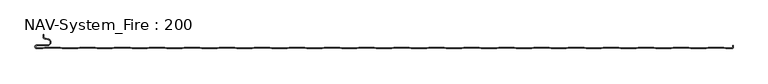
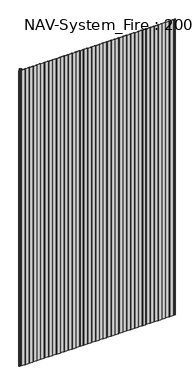
"""IFC4 building model written with IfcOpenShell, lengths in millimetres: plate geometry, NAV-System_Fire : 200."""

from ifc_helpers import new_model, si_unit, frame, origin, place, context, project, spatial, polyline, circle_curve, source, transform, mapped, element, save
from ifc_brep_helpers import plane_surface, cylinder_surface, revolved_surface, advanced_brep


def nav_system_fire_200_f384b66a(model_context):
    return source(origin(), model_context, "Body", "AdvancedBrep", [
        advanced_brep(
        [(-488.8798221, -200.8, 2000.0), (-497.2500001, -200.8, 2000.0), (-497.2500001, -197.4000001, 2000.0), (-481.8502086, -197.4000001, 2000.0), (-480.9923864, -187.5950498, 2000.0), (-485.8625665, -186.7363054, 2000.0), (-487.3500004, -184.9636506, 2000.0), (-487.3500014, -181.6578709, 2000.0), (-488.1500014, -181.6578709, 2000.0), (-488.1500014, -184.9636516, 2000.0), (-486.0014853, -187.5241512, 2000.0), (-481.1313015, -188.382896, 2000.0), (-481.850205, -196.6000001, 2000.0), (-497.2500001, -196.6000001, 2000.0), (-497.2500001, -201.6, 2000.0), (-488.75, -201.6, 2000.0), (-485.75, -200.6, 2000.0), (-463.75, -200.6, 2000.0), (-460.75, -201.6, 2000.0), (-438.75, -201.6, 2000.0), (-435.75, -200.6, 2000.0), (-413.75, -200.6, 2000.0), (-410.75, -201.6, 2000.0), (-388.75, -201.6, 2000.0), (-385.75, -200.6, 2000.0), (-363.75, -200.6, 2000.0), (-360.75, -201.6, 2000.0), (-338.75, -201.6, 2000.0), (-335.75, -200.6, 2000.0), (-313.75, -200.6, 2000.0), (-310.75, -201.6, 2000.0), (-288.75, -201.6, 2000.0), (-285.75, -200.6, 2000.0), (-263.75, -200.6, 2000.0), (-260.75, -201.6, 2000.0), (-238.75, -201.6, 2000.0), (-235.75, -200.6, 2000.0), (-213.75, -200.6, 2000.0), (-210.75, -201.6, 2000.0), (-188.75, -201.6, 2000.0), (-185.75, -200.6, 2000.0), (-163.75, -200.6, 2000.0), (-160.75, -201.6, 2000.0), (-138.75, -201.6, 2000.0), (-135.75, -200.6, 2000.0), (-113.75, -200.6, 2000.0), (-110.75, -201.6, 2000.0), (-88.75, -201.6, 2000.0), (-85.75, -200.6, 2000.0), (-63.75, -200.6, 2000.0), (-60.75, -201.6, 2000.0), (-38.75, -201.6, 2000.0), (-35.75, -200.6, 2000.0), (-13.75, -200.6, 2000.0), (-10.75, -201.6, 2000.0), (11.25, -201.6, 2000.0), (14.25, -200.6, 2000.0), (36.25, -200.6, 2000.0), (39.25, -201.6, 2000.0), (61.25, -201.6, 2000.0), (64.25, -200.6, 2000.0), (86.25, -200.6, 2000.0), (89.25, -201.6, 2000.0), (111.25, -201.6, 2000.0), (114.25, -200.6, 2000.0), (136.25, -200.6, 2000.0), (139.25, -201.6, 2000.0), (161.25, -201.6, 2000.0), (164.25, -200.6, 2000.0), (186.25, -200.6, 2000.0), (189.25, -201.6, 2000.0), (211.25, -201.6, 2000.0), (214.25, -200.6, 2000.0), (236.25, -200.6, 2000.0), (239.25, -201.6, 2000.0), (261.25, -201.6, 2000.0), (264.25, -200.6, 2000.0), (286.25, -200.6, 2000.0), (289.25, -201.6, 2000.0), (311.25, -201.6, 2000.0), (314.25, -200.6, 2000.0), (336.25, -200.6, 2000.0), (339.25, -201.6, 2000.0), (361.25, -201.6, 2000.0), (364.25, -200.6, 2000.0), (386.25, -200.6, 2000.0), (389.25, -201.6, 2000.0), (411.25, -201.6, 2000.0), (414.25, -200.6, 2000.0), (436.25, -200.6, 2000.0), (439.25, -201.6, 2000.0), (461.25, -201.6, 2000.0), (464.25, -200.6, 2000.0), (486.25, -200.6, 2000.0), (489.25, -201.6, 2000.0), (498.2500007, -201.6, 2000.0), (499.75, -200.9228766, 2000.0), (499.75, -196.9390429, 2000.0), (499.4499998, -198.1999953, 2000.0), (499.4499998, -199.5978602, 2000.0), (498.2500017, -200.7999998, 2000.0), (489.3798221, -200.8, 2000.0), (486.3798221, -199.8, 2000.0), (464.1201779, -199.8, 2000.0), (461.1201779, -200.8, 2000.0), (439.3798221, -200.8, 2000.0), (436.3798221, -199.8, 2000.0), (414.1201779, -199.8, 2000.0), (411.1201779, -200.8, 2000.0), (389.3798221, -200.8, 2000.0), (386.3798221, -199.8, 2000.0), (364.1201779, -199.8, 2000.0), (361.1201779, -200.8, 2000.0), (339.3798221, -200.8, 2000.0), (336.3798221, -199.8, 2000.0), (314.1201779, -199.8, 2000.0), (311.1201779, -200.8, 2000.0), (289.3798221, -200.8, 2000.0), (286.3798221, -199.8, 2000.0), (264.1201779, -199.8, 2000.0), (261.1201779, -200.8, 2000.0), (239.3798221, -200.8, 2000.0), (236.3798221, -199.8, 2000.0), (214.1201779, -199.8, 2000.0), (211.1201779, -200.8, 2000.0), (189.3798221, -200.8, 2000.0), (186.3798221, -199.8, 2000.0), (164.1201779, -199.8, 2000.0), (161.1201779, -200.8, 2000.0), (139.3798221, -200.8, 2000.0), (136.3798221, -199.8, 2000.0), (114.1201779, -199.8, 2000.0), (111.1201779, -200.8, 2000.0), (89.3798221, -200.8, 2000.0), (86.3798221, -199.8, 2000.0), (64.1201779, -199.8, 2000.0), (61.1201779, -200.8, 2000.0), (39.3798221, -200.8, 2000.0), (36.3798221, -199.8, 2000.0), (14.1201779, -199.8, 2000.0), (11.1201779, -200.8, 2000.0), (-10.6201779, -200.8, 2000.0), (-13.6201779, -199.8, 2000.0), (-35.8798221, -199.8, 2000.0), (-38.8798221, -200.8, 2000.0), (-60.6201779, -200.8, 2000.0), (-63.6201779, -199.8, 2000.0), (-85.8798221, -199.8, 2000.0), (-88.8798221, -200.8, 2000.0), (-110.6201779, -200.8, 2000.0), (-113.6201779, -199.8, 2000.0), (-135.8798221, -199.8, 2000.0), (-138.8798221, -200.8, 2000.0), (-160.6201779, -200.8, 2000.0), (-163.6201779, -199.8, 2000.0), (-185.8798221, -199.8, 2000.0), (-188.8798221, -200.8, 2000.0), (-210.6201779, -200.8, 2000.0), (-213.6201779, -199.8, 2000.0), (-235.8798221, -199.8, 2000.0), (-238.8798221, -200.8, 2000.0), (-260.6201779, -200.8, 2000.0), (-263.6201779, -199.8, 2000.0), (-285.8798221, -199.8, 2000.0), (-288.8798221, -200.8, 2000.0), (-310.6201779, -200.8, 2000.0), (-313.6201779, -199.8, 2000.0), (-335.8798221, -199.8, 2000.0), (-338.8798221, -200.8, 2000.0), (-360.6201779, -200.8, 2000.0), (-363.6201779, -199.8, 2000.0), (-385.8798221, -199.8, 2000.0), (-388.8798221, -200.8, 2000.0), (-410.6201779, -200.8, 2000.0), (-413.6201779, -199.8, 2000.0), (-435.8798221, -199.8, 2000.0), (-438.8798221, -200.8, 2000.0), (-460.6201779, -200.8, 2000.0), (-463.6201779, -199.8, 2000.0), (-485.8798221, -199.8, 2000.0), (-488.8798221, -200.8, 0.0), (-485.8798221, -199.8, 0.0), (-463.6201779, -199.8, 0.0), (-460.6201779, -200.8, 0.0), (-438.8798221, -200.8, 0.0), (-435.8798221, -199.8, 0.0), (-413.6201779, -199.8, 0.0), (-410.6201779, -200.8, 0.0), (-388.8798221, -200.8, 0.0), (-385.8798221, -199.8, 0.0), (-363.6201779, -199.8, 0.0), (-360.6201779, -200.8, 0.0), (-338.8798221, -200.8, 0.0), (-335.8798221, -199.8, 0.0), (-313.6201779, -199.8, 0.0), (-310.6201779, -200.8, 0.0), (-288.8798221, -200.8, 0.0), (-285.8798221, -199.8, 0.0), (-263.6201779, -199.8, 0.0), (-260.6201779, -200.8, 0.0), (-238.8798221, -200.8, 0.0), (-235.8798221, -199.8, 0.0), (-213.6201779, -199.8, 0.0), (-210.6201779, -200.8, 0.0), (-188.8798221, -200.8, 0.0), (-185.8798221, -199.8, 0.0), (-163.6201779, -199.8, 0.0), (-160.6201779, -200.8, 0.0), (-138.8798221, -200.8, 0.0), (-135.8798221, -199.8, 0.0), (-113.6201779, -199.8, 0.0), (-110.6201779, -200.8, 0.0), (-88.8798221, -200.8, 0.0), (-85.8798221, -199.8, 0.0), (-63.6201779, -199.8, 0.0), (-60.6201779, -200.8, 0.0), (-38.8798221, -200.8, 0.0), (-35.8798221, -199.8, 0.0), (-13.6201779, -199.8, 0.0), (-10.6201779, -200.8, 0.0), (11.1201779, -200.8, 0.0), (14.1201779, -199.8, 0.0), (36.3798221, -199.8, 0.0), (39.3798221, -200.8, 0.0), (61.1201779, -200.8, 0.0), (64.1201779, -199.8, 0.0), (86.3798221, -199.8, 0.0), (89.3798221, -200.8, 0.0), (111.1201779, -200.8, 0.0), (114.1201779, -199.8, 0.0), (136.3798221, -199.8, 0.0), (139.3798221, -200.8, 0.0), (161.1201779, -200.8, 0.0), (164.1201779, -199.8, 0.0), (186.3798221, -199.8, 0.0), (189.3798221, -200.8, 0.0), (211.1201779, -200.8, 0.0), (214.1201779, -199.8, 0.0), (236.3798221, -199.8, 0.0), (239.3798221, -200.8, 0.0), (261.1201779, -200.8, 0.0), (264.1201779, -199.8, 0.0), (286.3798221, -199.8, 0.0), (289.3798221, -200.8, 0.0), (311.1201779, -200.8, 0.0), (314.1201779, -199.8, 0.0), (336.3798221, -199.8, 0.0), (339.3798221, -200.8, 0.0), (361.1201779, -200.8, 0.0), (364.1201779, -199.8, 0.0), (386.3798221, -199.8, 0.0), (389.3798221, -200.8, 0.0), (411.1201779, -200.8, 0.0), (414.1201779, -199.8, 0.0), (436.3798221, -199.8, 0.0), (439.3798221, -200.8, 0.0), (461.1201779, -200.8, 0.0), (464.1201779, -199.8, 0.0), (486.3798221, -199.8, 0.0), (489.3798221, -200.8, 0.0), (498.2500017, -200.8, 0.0), (499.4499998, -199.5978602, 0.0), (499.4499998, -198.1999953, 0.0), (499.75, -196.9390429, 0.0), (499.75, -200.9228766, 0.0), (498.2500007, -201.6, 0.0), (489.25, -201.6, 0.0), (486.25, -200.6, 0.0), (464.25, -200.6, 0.0), (461.25, -201.6, 0.0), (439.25, -201.6, 0.0), (436.25, -200.6, 0.0), (414.25, -200.6, 0.0), (411.25, -201.6, 0.0), (389.25, -201.6, 0.0), (386.25, -200.6, 0.0), (364.25, -200.6, 0.0), (361.25, -201.6, 0.0), (339.25, -201.6, 0.0), (336.25, -200.6, 0.0), (314.25, -200.6, 0.0), (311.25, -201.6, 0.0), (289.25, -201.6, 0.0), (286.25, -200.6, 0.0), (264.25, -200.6, 0.0), (261.25, -201.6, 0.0), (239.25, -201.6, 0.0), (236.25, -200.6, 0.0), (214.25, -200.6, 0.0), (211.25, -201.6, 0.0), (189.25, -201.6, 0.0), (186.25, -200.6, 0.0), (164.25, -200.6, 0.0), (161.25, -201.6, 0.0), (139.25, -201.6, 0.0), (136.25, -200.6, 0.0), (114.25, -200.6, 0.0), (111.25, -201.6, 0.0), (89.25, -201.6, 0.0), (86.25, -200.6, 0.0), (64.25, -200.6, 0.0), (61.25, -201.6, 0.0), (39.25, -201.6, 0.0), (36.25, -200.6, 0.0), (14.25, -200.6, 0.0), (11.25, -201.6, 0.0), (-10.75, -201.6, 0.0), (-13.75, -200.6, 0.0), (-35.75, -200.6, 0.0), (-38.75, -201.6, 0.0), (-60.75, -201.6, 0.0), (-63.75, -200.6, 0.0), (-85.75, -200.6, 0.0), (-88.75, -201.6, 0.0), (-110.75, -201.6, 0.0), (-113.75, -200.6, 0.0), (-135.75, -200.6, 0.0), (-138.75, -201.6, 0.0), (-160.75, -201.6, 0.0), (-163.75, -200.6, 0.0), (-185.75, -200.6, 0.0), (-188.75, -201.6, 0.0), (-210.75, -201.6, 0.0), (-213.75, -200.6, 0.0), (-235.75, -200.6, 0.0), (-238.75, -201.6, 0.0), (-260.75, -201.6, 0.0), (-263.75, -200.6, 0.0), (-285.75, -200.6, 0.0), (-288.75, -201.6, 0.0), (-310.75, -201.6, 0.0), (-313.75, -200.6, 0.0), (-335.75, -200.6, 0.0), (-338.75, -201.6, 0.0), (-360.75, -201.6, 0.0), (-363.75, -200.6, 0.0), (-385.75, -200.6, 0.0), (-388.75, -201.6, 0.0), (-410.75, -201.6, 0.0), (-413.75, -200.6, 0.0), (-435.75, -200.6, 0.0), (-438.75, -201.6, 0.0), (-460.75, -201.6, 0.0), (-463.75, -200.6, 0.0), (-485.75, -200.6, 0.0), (-488.75, -201.6, 0.0), (-497.2500001, -201.6, 0.0), (-497.2500001, -196.6000001, 0.0), (-481.850205, -196.6000001, 0.0), (-481.1313015, -188.382896, 0.0), (-486.0014853, -187.5241512, 0.0), (-488.1499997, -184.9636516, 0.0), (-488.1500014, -181.6578709, 0.0), (-487.3500014, -181.6578709, 0.0), (-487.3500014, -184.9636506, 0.0), (-485.8625665, -186.7363054, 0.0), (-480.9923864, -187.5950498, 0.0), (-481.8502086, -197.4000001, 0.0), (-497.2500001, -197.4000001, 0.0), (-497.2500001, -200.7999998, 0.0)],
        [
            (0, 1),
            (1, 2, circle_curve(frame((-497.2500001, -199.1, 2000.0), z_axis=(0.0, 0.0, -1.0), x_axis=(1.0, 0.0, 0.0)), 1.6999999)),
            (2, 3),
            (3, 4, circle_curve(frame((-481.8502086, -192.4600001, 2000.0), z_axis=(0.0, 0.0, 1.0), x_axis=(1.0, 0.0, 0.0)), 4.94)),
            (4, 5),
            (5, 6, circle_curve(frame((-485.5499995, -184.9636506, 2000.0), z_axis=(0.0, 0.0, -1.0), x_axis=(1.0, 0.0, 0.0)), 1.8000009)),
            (6, 7),
            (7, 8),
            (8, 9),
            (9, 10, circle_curve(frame((-485.5500002, -184.9636516, 2000.0), z_axis=(0.0, 0.0, 1.0), x_axis=(1.0, 0.0, 0.0)), 2.5999995)),
            (10, 11),
            (11, 12, circle_curve(frame((-481.850205, -192.4600001, 2000.0), z_axis=(0.0, 0.0, -1.0), x_axis=(1.0, 0.0, 0.0)), 4.14)),
            (12, 13),
            (13, 14, circle_curve(frame((-497.2500001, -199.1000001, 2000.0), z_axis=(0.0, 0.0, 1.0), x_axis=(1.0, 0.0, 0.0)), 2.4999999)),
            (14, 15),
            (15, 16),
            (16, 17),
            (17, 18),
            (18, 19),
            (19, 20),
            (20, 21),
            (21, 22),
            (22, 23),
            (23, 24),
            (24, 25),
            (25, 26),
            (26, 27),
            (27, 28),
            (28, 29),
            (29, 30),
            (30, 31),
            (31, 32),
            (32, 33),
            (33, 34),
            (34, 35),
            (35, 36),
            (36, 37),
            (37, 38),
            (38, 39),
            (39, 40),
            (40, 41),
            (41, 42),
            (42, 43),
            (43, 44),
            (44, 45),
            (45, 46),
            (46, 47),
            (47, 48),
            (48, 49),
            (49, 50),
            (50, 51),
            (51, 52),
            (52, 53),
            (53, 54),
            (54, 55),
            (55, 56),
            (56, 57),
            (57, 58),
            (58, 59),
            (59, 60),
            (60, 61),
            (61, 62),
            (62, 63),
            (63, 64),
            (64, 65),
            (65, 66),
            (66, 67),
            (67, 68),
            (68, 69),
            (69, 70),
            (70, 71),
            (71, 72),
            (72, 73),
            (73, 74),
            (74, 75),
            (75, 76),
            (76, 77),
            (77, 78),
            (78, 79),
            (79, 80),
            (80, 81),
            (81, 82),
            (82, 83),
            (83, 84),
            (84, 85),
            (85, 86),
            (86, 87),
            (87, 88),
            (88, 89),
            (89, 90),
            (90, 91),
            (91, 92),
            (92, 93),
            (93, 94),
            (94, 95),
            (95, 96, circle_curve(frame((498.2500007, -199.5999998, 2000.0), z_axis=(0.0, 0.0, 1.0), x_axis=(1.0, 0.0, 0.0)), 2.0000002)),
            (96, 97),
            (97, 98, circle_curve(frame((502.2499995, -198.1999953, 2000.0), z_axis=(0.0, 0.0, 1.0), x_axis=(1.0, 0.0, 0.0)), 2.7999997)),
            (98, 99),
            (99, 100, circle_curve(frame((498.2500017, -199.5999998, 2000.0), z_axis=(0.0, 0.0, -1.0), x_axis=(1.0, 0.0, 0.0)), 1.2)),
            (100, 101),
            (101, 102),
            (102, 103),
            (103, 104),
            (104, 105),
            (105, 106),
            (106, 107),
            (107, 108),
            (108, 109),
            (109, 110),
            (110, 111),
            (111, 112),
            (112, 113),
            (113, 114),
            (114, 115),
            (115, 116),
            (116, 117),
            (117, 118),
            (118, 119),
            (119, 120),
            (120, 121),
            (121, 122),
            (122, 123),
            (123, 124),
            (124, 125),
            (125, 126),
            (126, 127),
            (127, 128),
            (128, 129),
            (129, 130),
            (130, 131),
            (131, 132),
            (132, 133),
            (133, 134),
            (134, 135),
            (135, 136),
            (136, 137),
            (137, 138),
            (138, 139),
            (139, 140),
            (140, 141),
            (141, 142),
            (142, 143),
            (143, 144),
            (144, 145),
            (145, 146),
            (146, 147),
            (147, 148),
            (148, 149),
            (149, 150),
            (150, 151),
            (151, 152),
            (152, 153),
            (153, 154),
            (154, 155),
            (155, 156),
            (156, 157),
            (157, 158),
            (158, 159),
            (159, 160),
            (160, 161),
            (161, 162),
            (162, 163),
            (163, 164),
            (164, 165),
            (165, 166),
            (166, 167),
            (167, 168),
            (168, 169),
            (169, 170),
            (170, 171),
            (171, 172),
            (172, 173),
            (173, 174),
            (174, 175),
            (175, 176),
            (176, 177),
            (177, 178),
            (178, 179),
            (179, 0),
            (180, 181),
            (181, 182),
            (182, 183),
            (183, 184),
            (184, 185),
            (185, 186),
            (186, 187),
            (187, 188),
            (188, 189),
            (189, 190),
            (190, 191),
            (191, 192),
            (192, 193),
            (193, 194),
            (194, 195),
            (195, 196),
            (196, 197),
            (197, 198),
            (198, 199),
            (199, 200),
            (200, 201),
            (201, 202),
            (202, 203),
            (203, 204),
            (204, 205),
            (205, 206),
            (206, 207),
            (207, 208),
            (208, 209),
            (209, 210),
            (210, 211),
            (211, 212),
            (212, 213),
            (213, 214),
            (214, 215),
            (215, 216),
            (216, 217),
            (217, 218),
            (218, 219),
            (219, 220),
            (220, 221),
            (221, 222),
            (222, 223),
            (223, 224),
            (224, 225),
            (225, 226),
            (226, 227),
            (227, 228),
            (228, 229),
            (229, 230),
            (230, 231),
            (231, 232),
            (232, 233),
            (233, 234),
            (234, 235),
            (235, 236),
            (236, 237),
            (237, 238),
            (238, 239),
            (239, 240),
            (240, 241),
            (241, 242),
            (242, 243),
            (243, 244),
            (244, 245),
            (245, 246),
            (246, 247),
            (247, 248),
            (248, 249),
            (249, 250),
            (250, 251),
            (251, 252),
            (252, 253),
            (253, 254),
            (254, 255),
            (255, 256),
            (256, 257),
            (257, 258),
            (258, 259),
            (259, 260),
            (260, 261, circle_curve(frame((498.2500017, -199.5999998, 0.0), z_axis=(0.0, 0.0, 1.0), x_axis=(1.0, 0.0, 0.0)), 1.2)),
            (261, 262),
            (262, 263, circle_curve(frame((502.2499995, -198.1999953, 0.0), z_axis=(0.0, 0.0, -1.0), x_axis=(1.0, 0.0, 0.0)), 2.7999997)),
            (263, 264),
            (264, 265, circle_curve(frame((498.2500007, -199.5999998, 0.0), z_axis=(0.0, 0.0, -1.0), x_axis=(1.0, 0.0, 0.0)), 2.0000002)),
            (265, 266),
            (266, 267),
            (267, 268),
            (268, 269),
            (269, 270),
            (270, 271),
            (271, 272),
            (272, 273),
            (273, 274),
            (274, 275),
            (275, 276),
            (276, 277),
            (277, 278),
            (278, 279),
            (279, 280),
            (280, 281),
            (281, 282),
            (282, 283),
            (283, 284),
            (284, 285),
            (285, 286),
            (286, 287),
            (287, 288),
            (288, 289),
            (289, 290),
            (290, 291),
            (291, 292),
            (292, 293),
            (293, 294),
            (294, 295),
            (295, 296),
            (296, 297),
            (297, 298),
            (298, 299),
            (299, 300),
            (300, 301),
            (301, 302),
            (302, 303),
            (303, 304),
            (304, 305),
            (305, 306),
            (306, 307),
            (307, 308),
            (308, 309),
            (309, 310),
            (310, 311),
            (311, 312),
            (312, 313),
            (313, 314),
            (314, 315),
            (315, 316),
            (316, 317),
            (317, 318),
            (318, 319),
            (319, 320),
            (320, 321),
            (321, 322),
            (322, 323),
            (323, 324),
            (324, 325),
            (325, 326),
            (326, 327),
            (327, 328),
            (328, 329),
            (329, 330),
            (330, 331),
            (331, 332),
            (332, 333),
            (333, 334),
            (334, 335),
            (335, 336),
            (336, 337),
            (337, 338),
            (338, 339),
            (339, 340),
            (340, 341),
            (341, 342),
            (342, 343),
            (343, 344),
            (344, 345),
            (345, 346),
            (346, 347, circle_curve(frame((-497.2500001, -199.1000001, 0.0), z_axis=(0.0, 0.0, -1.0), x_axis=(1.0, 0.0, 0.0)), 2.4999999)),
            (347, 348),
            (348, 349, circle_curve(frame((-481.850205, -192.4600001, 0.0), z_axis=(0.0, 0.0, 1.0), x_axis=(1.0, 0.0, 0.0)), 4.14)),
            (349, 350),
            (350, 351, circle_curve(frame((-485.5500002, -184.9636516, 0.0), z_axis=(0.0, 0.0, -1.0), x_axis=(1.0, 0.0, 0.0)), 2.5999995)),
            (351, 352),
            (352, 353),
            (353, 354),
            (354, 355, circle_curve(frame((-485.5499995, -184.9636506, 0.0), z_axis=(0.0, 0.0, 1.0), x_axis=(1.0, 0.0, 0.0)), 1.8000009)),
            (355, 356),
            (356, 357, circle_curve(frame((-481.8502086, -192.4600001, 0.0), z_axis=(0.0, 0.0, -1.0), x_axis=(1.0, 0.0, 0.0)), 4.94)),
            (357, 358),
            (358, 359, circle_curve(frame((-497.2500001, -199.1, 0.0), z_axis=(0.0, 0.0, 1.0), x_axis=(1.0, 0.0, 0.0)), 1.6999999)),
            (359, 180),
            (14, 346),
            (345, 15),
            (0, 180),
            (359, 1),
            (100, 260),
            (259, 101),
            (258, 102),
            (257, 103),
            (256, 104),
            (255, 105),
            (254, 106),
            (253, 107),
            (252, 108),
            (251, 109),
            (250, 110),
            (249, 111),
            (248, 112),
            (247, 113),
            (246, 114),
            (245, 115),
            (244, 116),
            (243, 117),
            (242, 118),
            (241, 119),
            (240, 120),
            (239, 121),
            (238, 122),
            (237, 123),
            (236, 124),
            (235, 125),
            (234, 126),
            (233, 127),
            (232, 128),
            (231, 129),
            (230, 130),
            (229, 131),
            (228, 132),
            (227, 133),
            (226, 134),
            (225, 135),
            (224, 136),
            (223, 137),
            (222, 138),
            (221, 139),
            (220, 140),
            (219, 141),
            (218, 142),
            (217, 143),
            (216, 144),
            (215, 145),
            (214, 146),
            (213, 147),
            (212, 148),
            (211, 149),
            (210, 150),
            (209, 151),
            (208, 152),
            (207, 153),
            (206, 154),
            (205, 155),
            (204, 156),
            (203, 157),
            (202, 158),
            (201, 159),
            (200, 160),
            (199, 161),
            (198, 162),
            (197, 163),
            (196, 164),
            (195, 165),
            (194, 166),
            (193, 167),
            (192, 168),
            (191, 169),
            (190, 170),
            (189, 171),
            (188, 172),
            (187, 173),
            (186, 174),
            (185, 175),
            (184, 176),
            (183, 177),
            (182, 178),
            (181, 179),
            (344, 16),
            (343, 17),
            (342, 18),
            (341, 19),
            (340, 20),
            (339, 21),
            (338, 22),
            (337, 23),
            (336, 24),
            (335, 25),
            (334, 26),
            (333, 27),
            (332, 28),
            (331, 29),
            (330, 30),
            (329, 31),
            (328, 32),
            (327, 33),
            (326, 34),
            (325, 35),
            (324, 36),
            (323, 37),
            (322, 38),
            (321, 39),
            (320, 40),
            (319, 41),
            (318, 42),
            (317, 43),
            (316, 44),
            (315, 45),
            (314, 46),
            (313, 47),
            (312, 48),
            (311, 49),
            (310, 50),
            (309, 51),
            (308, 52),
            (307, 53),
            (306, 54),
            (305, 55),
            (304, 56),
            (303, 57),
            (302, 58),
            (301, 59),
            (300, 60),
            (299, 61),
            (298, 62),
            (297, 63),
            (296, 64),
            (295, 65),
            (294, 66),
            (293, 67),
            (292, 68),
            (291, 69),
            (290, 70),
            (289, 71),
            (288, 72),
            (287, 73),
            (286, 74),
            (285, 75),
            (284, 76),
            (283, 77),
            (282, 78),
            (281, 79),
            (280, 80),
            (279, 81),
            (278, 82),
            (277, 83),
            (276, 84),
            (275, 85),
            (274, 86),
            (273, 87),
            (272, 88),
            (271, 89),
            (270, 90),
            (269, 91),
            (268, 92),
            (267, 93),
            (266, 94),
            (265, 95),
            (2, 358),
            (357, 3),
            (6, 354),
            (353, 7),
            (352, 8),
            (351, 9),
            (12, 348),
            (347, 13),
            (356, 4),
            (355, 5),
            (350, 10),
            (349, 11),
            (264, 96),
            (262, 98),
            (97, 263),
            (261, 99),
        ],
        [
            plane_surface(frame((-499.75, -201.6, 2000.0), z_axis=(0.0, 0.0, 1.0), x_axis=(-1.0, 0.0, 0.0))),
            plane_surface(frame((-499.75, -201.6, 0.0), z_axis=(0.0, 0.0, -1.0), x_axis=(-1.0, 0.0, 0.0))),
            plane_surface(frame((-497.2500001, -201.6, 2000.0), z_axis=(0.0, -1.0, 0.0), x_axis=(0.0, 0.0, -1.0))),
            plane_surface(frame((-488.8798221, -200.8, 2000.0), z_axis=(0.0, 1.0, 0.0), x_axis=(0.0, 0.0, -1.0))),
            plane_surface(frame((498.2500017, -200.8, 2000.0), z_axis=(0.0, 1.0, 0.0), x_axis=(0.0, 0.0, -1.0))),
            plane_surface(frame((489.3798221, -200.8, 2000.0), z_axis=(0.31622776601669583, 0.9486832980505612, 0.0), x_axis=(0.0, 0.0, -1.0))),
            plane_surface(frame((486.3798221, -199.8, 2000.0), z_axis=(0.0, 1.0, 0.0), x_axis=(0.0, 0.0, -1.0))),
            plane_surface(frame((464.1201779, -199.8, 2000.0), z_axis=(-0.31622776601680463, 0.948683298050525, 0.0), x_axis=(0.0, 0.0, -1.0))),
            plane_surface(frame((461.1201779, -200.8, 2000.0), z_axis=(0.0, 1.0, 0.0), x_axis=(0.0, 0.0, -1.0))),
            plane_surface(frame((439.3798221, -200.8, 2000.0), z_axis=(0.3162277660167412, 0.9486832980505461, 0.0), x_axis=(0.0, 0.0, -1.0))),
            plane_surface(frame((436.3798221, -199.8, 2000.0), z_axis=(0.0, 1.0, 0.0), x_axis=(0.0, 0.0, -1.0))),
            plane_surface(frame((414.1201779, -199.8, 2000.0), z_axis=(-0.3162277660167537, 0.948683298050542, 0.0), x_axis=(0.0, 0.0, -1.0))),
            plane_surface(frame((411.1201779, -200.8, 2000.0), z_axis=(0.0, 1.0, 0.0), x_axis=(0.0, 0.0, -1.0))),
            plane_surface(frame((389.3798221, -200.8, 2000.0), z_axis=(0.31622776601679214, 0.9486832980505291, 0.0), x_axis=(0.0, 0.0, -1.0))),
            plane_surface(frame((386.3798221, -199.8, 2000.0), z_axis=(0.0, 1.0, 0.0), x_axis=(0.0, 0.0, -1.0))),
            plane_surface(frame((364.1201779, -199.8, 2000.0), z_axis=(-0.31622776601680463, 0.948683298050525, 0.0), x_axis=(0.0, 0.0, -1.0))),
            plane_surface(frame((361.1201779, -200.8, 2000.0), z_axis=(0.0, 1.0, 0.0), x_axis=(0.0, 0.0, -1.0))),
            plane_surface(frame((339.3798221, -200.8, 2000.0), z_axis=(0.3162277660167412, 0.9486832980505461, 0.0), x_axis=(0.0, 0.0, -1.0))),
            plane_surface(frame((336.3798221, -199.8, 2000.0), z_axis=(0.0, 1.0, 0.0), x_axis=(0.0, 0.0, -1.0))),
            plane_surface(frame((314.1201779, -199.8, 2000.0), z_axis=(-0.3162277660167537, 0.948683298050542, 0.0), x_axis=(0.0, 0.0, -1.0))),
            plane_surface(frame((311.1201779, -200.8, 2000.0), z_axis=(0.0, 1.0, 0.0), x_axis=(0.0, 0.0, -1.0))),
            plane_surface(frame((289.3798221, -200.8, 2000.0), z_axis=(0.31622776601679214, 0.9486832980505291, 0.0), x_axis=(0.0, 0.0, -1.0))),
            plane_surface(frame((286.3798221, -199.8, 2000.0), z_axis=(0.0, 1.0, 0.0), x_axis=(0.0, 0.0, -1.0))),
            plane_surface(frame((264.1201779, -199.8, 2000.0), z_axis=(-0.31622776601680463, 0.948683298050525, 0.0), x_axis=(0.0, 0.0, -1.0))),
            plane_surface(frame((261.1201779, -200.8, 2000.0), z_axis=(0.0, 1.0, 0.0), x_axis=(0.0, 0.0, -1.0))),
            plane_surface(frame((239.3798221, -200.8, 2000.0), z_axis=(0.3162277660167412, 0.9486832980505461, 0.0), x_axis=(0.0, 0.0, -1.0))),
            plane_surface(frame((236.3798221, -199.8, 2000.0), z_axis=(0.0, 1.0, 0.0), x_axis=(0.0, 0.0, -1.0))),
            plane_surface(frame((214.1201779, -199.8, 2000.0), z_axis=(-0.3162277660167537, 0.948683298050542, 0.0), x_axis=(0.0, 0.0, -1.0))),
            plane_surface(frame((211.1201779, -200.8, 2000.0), z_axis=(0.0, 1.0, 0.0), x_axis=(0.0, 0.0, -1.0))),
            plane_surface(frame((189.3798221, -200.8, 2000.0), z_axis=(0.31622776601679214, 0.9486832980505291, 0.0), x_axis=(0.0, 0.0, -1.0))),
            plane_surface(frame((186.3798221, -199.8, 2000.0), z_axis=(0.0, 1.0, 0.0), x_axis=(0.0, 0.0, -1.0))),
            plane_surface(frame((164.1201779, -199.8, 2000.0), z_axis=(-0.31622776601680463, 0.948683298050525, 0.0), x_axis=(0.0, 0.0, -1.0))),
            plane_surface(frame((161.1201779, -200.8, 2000.0), z_axis=(0.0, 1.0, 0.0), x_axis=(0.0, 0.0, -1.0))),
            plane_surface(frame((139.3798221, -200.8, 2000.0), z_axis=(0.3162277660167412, 0.9486832980505461, 0.0), x_axis=(0.0, 0.0, -1.0))),
            plane_surface(frame((136.3798221, -199.8, 2000.0), z_axis=(0.0, 1.0, 0.0), x_axis=(0.0, 0.0, -1.0))),
            plane_surface(frame((114.1201779, -199.8, 2000.0), z_axis=(-0.3162277660167537, 0.948683298050542, 0.0), x_axis=(0.0, 0.0, -1.0))),
            plane_surface(frame((111.1201779, -200.8, 2000.0), z_axis=(0.0, 1.0, 0.0), x_axis=(0.0, 0.0, -1.0))),
            plane_surface(frame((89.3798221, -200.8, 2000.0), z_axis=(0.3162277660167412, 0.9486832980505461, 0.0), x_axis=(0.0, 0.0, -1.0))),
            plane_surface(frame((86.3798221, -199.8, 2000.0), z_axis=(0.0, 1.0, 0.0), x_axis=(0.0, 0.0, -1.0))),
            plane_surface(frame((64.1201779, -199.8, 2000.0), z_axis=(-0.3162277660167537, 0.948683298050542, 0.0), x_axis=(0.0, 0.0, -1.0))),
            plane_surface(frame((61.1201779, -200.8, 2000.0), z_axis=(0.0, 1.0, 0.0), x_axis=(0.0, 0.0, -1.0))),
            plane_surface(frame((39.3798221, -200.8, 2000.0), z_axis=(0.31622776601679214, 0.9486832980505291, 0.0), x_axis=(0.0, 0.0, -1.0))),
            plane_surface(frame((36.3798221, -199.8, 2000.0), z_axis=(0.0, 1.0, 0.0), x_axis=(0.0, 0.0, -1.0))),
            plane_surface(frame((14.1201779, -199.8, 2000.0), z_axis=(-0.31622776601680463, 0.948683298050525, 0.0), x_axis=(0.0, 0.0, -1.0))),
            plane_surface(frame((11.1201779, -200.8, 2000.0), z_axis=(0.0, 1.0, 0.0), x_axis=(0.0, 0.0, -1.0))),
            plane_surface(frame((-10.6201779, -200.8, 2000.0), z_axis=(0.3162277660167412, 0.9486832980505461, 0.0), x_axis=(0.0, 0.0, -1.0))),
            plane_surface(frame((-13.6201779, -199.8, 2000.0), z_axis=(0.0, 1.0, 0.0), x_axis=(0.0, 0.0, -1.0))),
            plane_surface(frame((-35.8798221, -199.8, 2000.0), z_axis=(-0.3162277660167537, 0.948683298050542, 0.0), x_axis=(0.0, 0.0, -1.0))),
            plane_surface(frame((-38.8798221, -200.8, 2000.0), z_axis=(0.0, 1.0, 0.0), x_axis=(0.0, 0.0, -1.0))),
            plane_surface(frame((-60.6201779, -200.8, 2000.0), z_axis=(0.31622776601679214, 0.9486832980505291, 0.0), x_axis=(0.0, 0.0, -1.0))),
            plane_surface(frame((-63.6201779, -199.8, 2000.0), z_axis=(0.0, 1.0, 0.0), x_axis=(0.0, 0.0, -1.0))),
            plane_surface(frame((-85.8798221, -199.8, 2000.0), z_axis=(-0.31622776601680463, 0.948683298050525, 0.0), x_axis=(0.0, 0.0, -1.0))),
            plane_surface(frame((-88.8798221, -200.8, 2000.0), z_axis=(0.0, 1.0, 0.0), x_axis=(0.0, 0.0, -1.0))),
            plane_surface(frame((-110.6201779, -200.8, 2000.0), z_axis=(0.3162277660167412, 0.9486832980505461, 0.0), x_axis=(0.0, 0.0, -1.0))),
            plane_surface(frame((-113.6201779, -199.8, 2000.0), z_axis=(0.0, 1.0, 0.0), x_axis=(0.0, 0.0, -1.0))),
            plane_surface(frame((-135.8798221, -199.8, 2000.0), z_axis=(-0.3162277660167537, 0.948683298050542, 0.0), x_axis=(0.0, 0.0, -1.0))),
            plane_surface(frame((-138.8798221, -200.8, 2000.0), z_axis=(0.0, 1.0, 0.0), x_axis=(0.0, 0.0, -1.0))),
            plane_surface(frame((-160.6201779, -200.8, 2000.0), z_axis=(0.31622776601679214, 0.9486832980505291, 0.0), x_axis=(0.0, 0.0, -1.0))),
            plane_surface(frame((-163.6201779, -199.8, 2000.0), z_axis=(0.0, 1.0, 0.0), x_axis=(0.0, 0.0, -1.0))),
            plane_surface(frame((-185.8798221, -199.8, 2000.0), z_axis=(-0.3162277660168057, 0.9486832980505246, 0.0), x_axis=(0.0, 0.0, -1.0))),
            plane_surface(frame((-188.8798221, -200.8, 2000.0), z_axis=(0.0, 1.0, 0.0), x_axis=(0.0, 0.0, -1.0))),
            plane_surface(frame((-210.6201779, -200.8, 2000.0), z_axis=(0.3162277660167412, 0.9486832980505461, 0.0), x_axis=(0.0, 0.0, -1.0))),
            plane_surface(frame((-213.6201779, -199.8, 2000.0), z_axis=(0.0, 1.0, 0.0), x_axis=(0.0, 0.0, -1.0))),
            plane_surface(frame((-235.8798221, -199.8, 2000.0), z_axis=(-0.3162277660167537, 0.948683298050542, 0.0), x_axis=(0.0, 0.0, -1.0))),
            plane_surface(frame((-238.8798221, -200.8, 2000.0), z_axis=(0.0, 1.0, 0.0), x_axis=(0.0, 0.0, -1.0))),
            plane_surface(frame((-260.6201779, -200.8, 2000.0), z_axis=(0.31622776601679214, 0.9486832980505291, 0.0), x_axis=(0.0, 0.0, -1.0))),
            plane_surface(frame((-263.6201779, -199.8, 2000.0), z_axis=(0.0, 1.0, 0.0), x_axis=(0.0, 0.0, -1.0))),
            plane_surface(frame((-285.8798221, -199.8, 2000.0), z_axis=(-0.31622776601680463, 0.948683298050525, 0.0), x_axis=(0.0, 0.0, -1.0))),
            plane_surface(frame((-288.8798221, -200.8, 2000.0), z_axis=(0.0, 1.0, 0.0), x_axis=(0.0, 0.0, -1.0))),
            plane_surface(frame((-310.6201779, -200.8, 2000.0), z_axis=(0.3162277660167412, 0.9486832980505461, 0.0), x_axis=(0.0, 0.0, -1.0))),
            plane_surface(frame((-313.6201779, -199.8, 2000.0), z_axis=(0.0, 1.0, 0.0), x_axis=(0.0, 0.0, -1.0))),
            plane_surface(frame((-335.8798221, -199.8, 2000.0), z_axis=(-0.3162277660167537, 0.948683298050542, 0.0), x_axis=(0.0, 0.0, -1.0))),
            plane_surface(frame((-338.8798221, -200.8, 2000.0), z_axis=(0.0, 1.0, 0.0), x_axis=(0.0, 0.0, -1.0))),
            plane_surface(frame((-360.6201779, -200.8, 2000.0), z_axis=(0.31622776601679214, 0.9486832980505291, 0.0), x_axis=(0.0, 0.0, -1.0))),
            plane_surface(frame((-363.6201779, -199.8, 2000.0), z_axis=(0.0, 1.0, 0.0), x_axis=(0.0, 0.0, -1.0))),
            plane_surface(frame((-385.8798221, -199.8, 2000.0), z_axis=(-0.31622776601680463, 0.948683298050525, 0.0), x_axis=(0.0, 0.0, -1.0))),
            plane_surface(frame((-388.8798221, -200.8, 2000.0), z_axis=(0.0, 1.0, 0.0), x_axis=(0.0, 0.0, -1.0))),
            plane_surface(frame((-410.6201779, -200.8, 2000.0), z_axis=(0.31622776601679214, 0.9486832980505291, 0.0), x_axis=(0.0, 0.0, -1.0))),
            plane_surface(frame((-413.6201779, -199.8, 2000.0), z_axis=(0.0, 1.0, 0.0), x_axis=(0.0, 0.0, -1.0))),
            plane_surface(frame((-435.8798221, -199.8, 2000.0), z_axis=(-0.31622776601680463, 0.948683298050525, 0.0), x_axis=(0.0, 0.0, -1.0))),
            plane_surface(frame((-438.8798221, -200.8, 2000.0), z_axis=(0.0, 1.0, 0.0), x_axis=(0.0, 0.0, -1.0))),
            plane_surface(frame((-460.6201779, -200.8, 2000.0), z_axis=(0.3162277660167412, 0.9486832980505461, 0.0), x_axis=(0.0, 0.0, -1.0))),
            plane_surface(frame((-463.6201779, -199.8, 2000.0), z_axis=(0.0, 1.0, 0.0), x_axis=(0.0, 0.0, -1.0))),
            plane_surface(frame((-485.8798221, -199.8, 2000.0), z_axis=(-0.3162277660167414, 0.9486832980505461, 0.0), x_axis=(0.0, 0.0, -1.0))),
            plane_surface(frame((-488.75, -201.6, 2000.0), z_axis=(0.31622776601671876, -0.9486832980505536, 0.0), x_axis=(0.0, 0.0, -1.0))),
            plane_surface(frame((-485.75, -200.6, 2000.0), z_axis=(0.0, -1.0, 0.0), x_axis=(0.0, 0.0, -1.0))),
            plane_surface(frame((-463.75, -200.6, 2000.0), z_axis=(-0.31622776601671854, -0.9486832980505536, 0.0), x_axis=(0.0, 0.0, -1.0))),
            plane_surface(frame((-460.75, -201.6, 2000.0), z_axis=(0.0, -1.0, 0.0), x_axis=(0.0, 0.0, -1.0))),
            plane_surface(frame((-438.75, -201.6, 2000.0), z_axis=(0.31622776601678765, -0.9486832980505306, 0.0), x_axis=(0.0, 0.0, -1.0))),
            plane_surface(frame((-435.75, -200.6, 2000.0), z_axis=(0.0, -1.0, 0.0), x_axis=(0.0, 0.0, -1.0))),
            plane_surface(frame((-413.75, -200.6, 2000.0), z_axis=(-0.3162277660167751, -0.9486832980505348, 0.0), x_axis=(0.0, 0.0, -1.0))),
            plane_surface(frame((-410.75, -201.6, 2000.0), z_axis=(0.0, -1.0, 0.0), x_axis=(0.0, 0.0, -1.0))),
            plane_surface(frame((-388.75, -201.6, 2000.0), z_axis=(0.31622776601678765, -0.9486832980505306, 0.0), x_axis=(0.0, 0.0, -1.0))),
            plane_surface(frame((-385.75, -200.6, 2000.0), z_axis=(0.0, -1.0, 0.0), x_axis=(0.0, 0.0, -1.0))),
            plane_surface(frame((-363.75, -200.6, 2000.0), z_axis=(-0.3162277660167751, -0.9486832980505348, 0.0), x_axis=(0.0, 0.0, -1.0))),
            plane_surface(frame((-360.75, -201.6, 2000.0), z_axis=(0.0, -1.0, 0.0), x_axis=(0.0, 0.0, -1.0))),
            plane_surface(frame((-338.75, -201.6, 2000.0), z_axis=(0.316227766016731, -0.9486832980505495, 0.0), x_axis=(0.0, 0.0, -1.0))),
            plane_surface(frame((-335.75, -200.6, 2000.0), z_axis=(0.0, -1.0, 0.0), x_axis=(0.0, 0.0, -1.0))),
            plane_surface(frame((-313.75, -200.6, 2000.0), z_axis=(-0.31622776601671854, -0.9486832980505536, 0.0), x_axis=(0.0, 0.0, -1.0))),
            plane_surface(frame((-310.75, -201.6, 2000.0), z_axis=(0.0, -1.0, 0.0), x_axis=(0.0, 0.0, -1.0))),
            plane_surface(frame((-288.75, -201.6, 2000.0), z_axis=(0.31622776601678765, -0.9486832980505306, 0.0), x_axis=(0.0, 0.0, -1.0))),
            plane_surface(frame((-285.75, -200.6, 2000.0), z_axis=(0.0, -1.0, 0.0), x_axis=(0.0, 0.0, -1.0))),
            plane_surface(frame((-263.75, -200.6, 2000.0), z_axis=(-0.3162277660167751, -0.9486832980505348, 0.0), x_axis=(0.0, 0.0, -1.0))),
            plane_surface(frame((-260.75, -201.6, 2000.0), z_axis=(0.0, -1.0, 0.0), x_axis=(0.0, 0.0, -1.0))),
            plane_surface(frame((-238.75, -201.6, 2000.0), z_axis=(0.316227766016731, -0.9486832980505495, 0.0), x_axis=(0.0, 0.0, -1.0))),
            plane_surface(frame((-235.75, -200.6, 2000.0), z_axis=(0.0, -1.0, 0.0), x_axis=(0.0, 0.0, -1.0))),
            plane_surface(frame((-213.75, -200.6, 2000.0), z_axis=(-0.31622776601671854, -0.9486832980505536, 0.0), x_axis=(0.0, 0.0, -1.0))),
            plane_surface(frame((-210.75, -201.6, 2000.0), z_axis=(0.0, -1.0, 0.0), x_axis=(0.0, 0.0, -1.0))),
            plane_surface(frame((-188.75, -201.6, 2000.0), z_axis=(0.3162277660168057, -0.9486832980505246, 0.0), x_axis=(0.0, 0.0, -1.0))),
            plane_surface(frame((-185.75, -200.6, 2000.0), z_axis=(0.0, -1.0, 0.0), x_axis=(0.0, 0.0, -1.0))),
            plane_surface(frame((-163.75, -200.6, 2000.0), z_axis=(-0.3162277660167751, -0.9486832980505348, 0.0), x_axis=(0.0, 0.0, -1.0))),
            plane_surface(frame((-160.75, -201.6, 2000.0), z_axis=(0.0, -1.0, 0.0), x_axis=(0.0, 0.0, -1.0))),
            plane_surface(frame((-138.75, -201.6, 2000.0), z_axis=(0.316227766016731, -0.9486832980505495, 0.0), x_axis=(0.0, 0.0, -1.0))),
            plane_surface(frame((-135.75, -200.6, 2000.0), z_axis=(0.0, -1.0, 0.0), x_axis=(0.0, 0.0, -1.0))),
            plane_surface(frame((-113.75, -200.6, 2000.0), z_axis=(-0.31622776601671854, -0.9486832980505536, 0.0), x_axis=(0.0, 0.0, -1.0))),
            plane_surface(frame((-110.75, -201.6, 2000.0), z_axis=(0.0, -1.0, 0.0), x_axis=(0.0, 0.0, -1.0))),
            plane_surface(frame((-88.75, -201.6, 2000.0), z_axis=(0.31622776601678765, -0.9486832980505306, 0.0), x_axis=(0.0, 0.0, -1.0))),
            plane_surface(frame((-85.75, -200.6, 2000.0), z_axis=(0.0, -1.0, 0.0), x_axis=(0.0, 0.0, -1.0))),
            plane_surface(frame((-63.75, -200.6, 2000.0), z_axis=(-0.3162277660167751, -0.9486832980505348, 0.0), x_axis=(0.0, 0.0, -1.0))),
            plane_surface(frame((-60.75, -201.6, 2000.0), z_axis=(0.0, -1.0, 0.0), x_axis=(0.0, 0.0, -1.0))),
            plane_surface(frame((-38.75, -201.6, 2000.0), z_axis=(0.316227766016731, -0.9486832980505495, 0.0), x_axis=(0.0, 0.0, -1.0))),
            plane_surface(frame((-35.75, -200.6, 2000.0), z_axis=(0.0, -1.0, 0.0), x_axis=(0.0, 0.0, -1.0))),
            plane_surface(frame((-13.75, -200.6, 2000.0), z_axis=(-0.31622776601671854, -0.9486832980505536, 0.0), x_axis=(0.0, 0.0, -1.0))),
            plane_surface(frame((-10.75, -201.6, 2000.0), z_axis=(0.0, -1.0, 0.0), x_axis=(0.0, 0.0, -1.0))),
            plane_surface(frame((11.25, -201.6, 2000.0), z_axis=(0.31622776601678765, -0.9486832980505306, 0.0), x_axis=(0.0, 0.0, -1.0))),
            plane_surface(frame((14.25, -200.6, 2000.0), z_axis=(0.0, -1.0, 0.0), x_axis=(0.0, 0.0, -1.0))),
            plane_surface(frame((36.25, -200.6, 2000.0), z_axis=(-0.3162277660167751, -0.9486832980505348, 0.0), x_axis=(0.0, 0.0, -1.0))),
            plane_surface(frame((39.25, -201.6, 2000.0), z_axis=(0.0, -1.0, 0.0), x_axis=(0.0, 0.0, -1.0))),
            plane_surface(frame((61.25, -201.6, 2000.0), z_axis=(0.316227766016731, -0.9486832980505495, 0.0), x_axis=(0.0, 0.0, -1.0))),
            plane_surface(frame((64.25, -200.6, 2000.0), z_axis=(0.0, -1.0, 0.0), x_axis=(0.0, 0.0, -1.0))),
            plane_surface(frame((86.25, -200.6, 2000.0), z_axis=(-0.31622776601671854, -0.9486832980505536, 0.0), x_axis=(0.0, 0.0, -1.0))),
            plane_surface(frame((89.25, -201.6, 2000.0), z_axis=(0.0, -1.0, 0.0), x_axis=(0.0, 0.0, -1.0))),
            plane_surface(frame((111.25, -201.6, 2000.0), z_axis=(0.316227766016731, -0.9486832980505495, 0.0), x_axis=(0.0, 0.0, -1.0))),
            plane_surface(frame((114.25, -200.6, 2000.0), z_axis=(0.0, -1.0, 0.0), x_axis=(0.0, 0.0, -1.0))),
            plane_surface(frame((136.25, -200.6, 2000.0), z_axis=(-0.31622776601671854, -0.9486832980505536, 0.0), x_axis=(0.0, 0.0, -1.0))),
            plane_surface(frame((139.25, -201.6, 2000.0), z_axis=(0.0, -1.0, 0.0), x_axis=(0.0, 0.0, -1.0))),
            plane_surface(frame((161.25, -201.6, 2000.0), z_axis=(0.31622776601678765, -0.9486832980505306, 0.0), x_axis=(0.0, 0.0, -1.0))),
            plane_surface(frame((164.25, -200.6, 2000.0), z_axis=(0.0, -1.0, 0.0), x_axis=(0.0, 0.0, -1.0))),
            plane_surface(frame((186.25, -200.6, 2000.0), z_axis=(-0.3162277660167751, -0.9486832980505348, 0.0), x_axis=(0.0, 0.0, -1.0))),
            plane_surface(frame((189.25, -201.6, 2000.0), z_axis=(0.0, -1.0, 0.0), x_axis=(0.0, 0.0, -1.0))),
            plane_surface(frame((211.25, -201.6, 2000.0), z_axis=(0.316227766016731, -0.9486832980505495, 0.0), x_axis=(0.0, 0.0, -1.0))),
            plane_surface(frame((214.25, -200.6, 2000.0), z_axis=(0.0, -1.0, 0.0), x_axis=(0.0, 0.0, -1.0))),
            plane_surface(frame((236.25, -200.6, 2000.0), z_axis=(-0.31622776601671854, -0.9486832980505536, 0.0), x_axis=(0.0, 0.0, -1.0))),
            plane_surface(frame((239.25, -201.6, 2000.0), z_axis=(0.0, -1.0, 0.0), x_axis=(0.0, 0.0, -1.0))),
            plane_surface(frame((261.25, -201.6, 2000.0), z_axis=(0.31622776601678765, -0.9486832980505306, 0.0), x_axis=(0.0, 0.0, -1.0))),
            plane_surface(frame((264.25, -200.6, 2000.0), z_axis=(0.0, -1.0, 0.0), x_axis=(0.0, 0.0, -1.0))),
            plane_surface(frame((286.25, -200.6, 2000.0), z_axis=(-0.3162277660167751, -0.9486832980505348, 0.0), x_axis=(0.0, 0.0, -1.0))),
            plane_surface(frame((289.25, -201.6, 2000.0), z_axis=(0.0, -1.0, 0.0), x_axis=(0.0, 0.0, -1.0))),
            plane_surface(frame((311.25, -201.6, 2000.0), z_axis=(0.316227766016731, -0.9486832980505495, 0.0), x_axis=(0.0, 0.0, -1.0))),
            plane_surface(frame((314.25, -200.6, 2000.0), z_axis=(0.0, -1.0, 0.0), x_axis=(0.0, 0.0, -1.0))),
            plane_surface(frame((336.25, -200.6, 2000.0), z_axis=(-0.31622776601671854, -0.9486832980505536, 0.0), x_axis=(0.0, 0.0, -1.0))),
            plane_surface(frame((339.25, -201.6, 2000.0), z_axis=(0.0, -1.0, 0.0), x_axis=(0.0, 0.0, -1.0))),
            plane_surface(frame((361.25, -201.6, 2000.0), z_axis=(0.31622776601678765, -0.9486832980505306, 0.0), x_axis=(0.0, 0.0, -1.0))),
            plane_surface(frame((364.25, -200.6, 2000.0), z_axis=(0.0, -1.0, 0.0), x_axis=(0.0, 0.0, -1.0))),
            plane_surface(frame((386.25, -200.6, 2000.0), z_axis=(-0.3162277660167751, -0.9486832980505348, 0.0), x_axis=(0.0, 0.0, -1.0))),
            plane_surface(frame((389.25, -201.6, 2000.0), z_axis=(0.0, -1.0, 0.0), x_axis=(0.0, 0.0, -1.0))),
            plane_surface(frame((411.25, -201.6, 2000.0), z_axis=(0.316227766016731, -0.9486832980505495, 0.0), x_axis=(0.0, 0.0, -1.0))),
            plane_surface(frame((414.25, -200.6, 2000.0), z_axis=(0.0, -1.0, 0.0), x_axis=(0.0, 0.0, -1.0))),
            plane_surface(frame((436.25, -200.6, 2000.0), z_axis=(-0.31622776601671854, -0.9486832980505536, 0.0), x_axis=(0.0, 0.0, -1.0))),
            plane_surface(frame((439.25, -201.6, 2000.0), z_axis=(0.0, -1.0, 0.0), x_axis=(0.0, 0.0, -1.0))),
            plane_surface(frame((461.25, -201.6, 2000.0), z_axis=(0.31622776601678765, -0.9486832980505306, 0.0), x_axis=(0.0, 0.0, -1.0))),
            plane_surface(frame((464.25, -200.6, 2000.0), z_axis=(0.0, -1.0, 0.0), x_axis=(0.0, 0.0, -1.0))),
            plane_surface(frame((486.25, -200.6, 2000.0), z_axis=(-0.3162277660166733, -0.9486832980505688, 0.0), x_axis=(0.0, 0.0, -1.0))),
            plane_surface(frame((489.25, -201.6, 2000.0), z_axis=(0.0, -1.0, 0.0), x_axis=(0.0, 0.0, -1.0))),
            plane_surface(frame((-497.2500001, -197.4000001, 2000.0), z_axis=(0.0, -1.0, 0.0), x_axis=(0.0, 0.0, -1.0))),
            plane_surface(frame((-487.3500014, -184.9636506, 2000.0), z_axis=(1.0, 0.0, 0.0), x_axis=(0.0, 0.0, -1.0))),
            plane_surface(frame((-487.3500014, -181.6578709, 2000.0), z_axis=(0.0, 1.0, 0.0), x_axis=(0.0, 0.0, -1.0))),
            plane_surface(frame((-488.1500014, -181.6578709, 2000.0), z_axis=(-1.0, 0.0, 0.0), x_axis=(0.0, 0.0, -1.0))),
            plane_surface(frame((-481.850205, -196.6000001, 2000.0), z_axis=(0.0, 1.0, 0.0), x_axis=(0.0, 0.0, -1.0))),
            revolved_surface(polyline([(-495.5500002, -199.1, 0.0), (-495.5500002, -199.1, 2000.0)]), (-497.2500001, -199.1, 2000.0), (0.0, 0.0, -1.0)),
            cylinder_surface(frame((-481.8502086, -192.4600001, 2000.0), z_axis=(0.0, 0.0, 1.0), x_axis=(1.0, 0.0, 0.0)), 4.94),
            plane_surface(frame((-480.9923864, -187.5950498, 2000.0), z_axis=(0.17364822279076958, 0.9848077450556567, 0.0), x_axis=(0.0, 0.0, -1.0))),
            revolved_surface(polyline([(-483.7499986, -184.9636506, 0.0), (-483.7499986, -184.9636506, 2000.0)]), (-485.5499995, -184.9636506, 2000.0), (0.0, 0.0, -1.0)),
            cylinder_surface(frame((-485.5500002, -184.9636516, 2000.0), z_axis=(0.0, 0.0, 1.0), x_axis=(1.0, 0.0, 0.0)), 2.5999995),
            plane_surface(frame((-486.0014853, -187.5241512, 2000.0), z_axis=(-0.17364817295915438, -0.984807753842316, 0.0), x_axis=(0.0, 0.0, -1.0))),
            revolved_surface(polyline([(-477.71020500000003, -192.4600001, 0.0), (-477.71020500000003, -192.4600001, 2000.0)]), (-481.850205, -192.4600001, 2000.0), (0.0, 0.0, -1.0)),
            cylinder_surface(frame((-497.2500001, -199.1000001, 2000.0), z_axis=(0.0, 0.0, 1.0), x_axis=(1.0, 0.0, 0.0)), 2.4999999),
            cylinder_surface(frame((498.2500007, -199.5999998, 2000.0), z_axis=(0.0, 0.0, 1.0), x_axis=(1.0, 0.0, 0.0)), 2.0000002),
            cylinder_surface(frame((502.2499995, -198.1999953, 2000.0), z_axis=(0.0, 0.0, 1.0), x_axis=(1.0, 0.0, 0.0)), 2.7999997),
            plane_surface(frame((499.4499998, -198.1999953, 2000.0), z_axis=(-1.0, 0.0, 0.0), x_axis=(0.0, 0.0, -1.0))),
            revolved_surface(polyline([(499.4500017, -199.5999998, 0.0), (499.4500017, -199.5999998, 2000.0)]), (498.2500017, -199.5999998, 2000.0), (0.0, 0.0, -1.0)),
            plane_surface(frame((499.75, 100.0, 2000.0), z_axis=(1.0, 0.0, 0.0), x_axis=(0.0, 0.0, -1.0))),
        ],
        [
            (0, [[1, 2, 3, 4, 5, 6, 7, 8, 9, 10, 11, 12, 13, 14, 15, 16, 17, 18, 19, 20, 21, 22, 23, 24, 25, 26, 27, 28, 29, 30, 31, 32, 33, 34, 35, 36, 37, 38, 39, 40, 41, 42, 43, 44, 45, 46, 47, 48, 49, 50, 51, 52, 53, 54, 55, 56, 57, 58, 59, 60, 61, 62, 63, 64, 65, 66, 67, 68, 69, 70, 71, 72, 73, 74, 75, 76, 77, 78, 79, 80, 81, 82, 83, 84, 85, 86, 87, 88, 89, 90, 91, 92, 93, 94, 95, 96, 97, 98, 99, 100, 101, 102, 103, 104, 105, 106, 107, 108, 109, 110, 111, 112, 113, 114, 115, 116, 117, 118, 119, 120, 121, 122, 123, 124, 125, 126, 127, 128, 129, 130, 131, 132, 133, 134, 135, 136, 137, 138, 139, 140, 141, 142, 143, 144, 145, 146, 147, 148, 149, 150, 151, 152, 153, 154, 155, 156, 157, 158, 159, 160, 161, 162, 163, 164, 165, 166, 167, 168, 169, 170, 171, 172, 173, 174, 175, 176, 177, 178, 179, 180]]),
            (1, [[181, 182, 183, 184, 185, 186, 187, 188, 189, 190, 191, 192, 193, 194, 195, 196, 197, 198, 199, 200, 201, 202, 203, 204, 205, 206, 207, 208, 209, 210, 211, 212, 213, 214, 215, 216, 217, 218, 219, 220, 221, 222, 223, 224, 225, 226, 227, 228, 229, 230, 231, 232, 233, 234, 235, 236, 237, 238, 239, 240, 241, 242, 243, 244, 245, 246, 247, 248, 249, 250, 251, 252, 253, 254, 255, 256, 257, 258, 259, 260, 261, 262, 263, 264, 265, 266, 267, 268, 269, 270, 271, 272, 273, 274, 275, 276, 277, 278, 279, 280, 281, 282, 283, 284, 285, 286, 287, 288, 289, 290, 291, 292, 293, 294, 295, 296, 297, 298, 299, 300, 301, 302, 303, 304, 305, 306, 307, 308, 309, 310, 311, 312, 313, 314, 315, 316, 317, 318, 319, 320, 321, 322, 323, 324, 325, 326, 327, 328, 329, 330, 331, 332, 333, 334, 335, 336, 337, 338, 339, 340, 341, 342, 343, 344, 345, 346, 347, 348, 349, 350, 351, 352, 353, 354, 355, 356, 357, 358, 359, 360]]),
            (2, [[-15, 361, -346, 362]]),
            (3, [[-1, 363, -360, 364]]),
            (4, [[-101, 365, -260, 366]]),
            (5, [[-102, -366, -259, 367]]),
            (6, [[-103, -367, -258, 368]]),
            (7, [[-104, -368, -257, 369]]),
            (8, [[-105, -369, -256, 370]]),
            (9, [[-106, -370, -255, 371]]),
            (10, [[-107, -371, -254, 372]]),
            (11, [[-108, -372, -253, 373]]),
            (12, [[-109, -373, -252, 374]]),
            (13, [[-110, -374, -251, 375]]),
            (14, [[-111, -375, -250, 376]]),
            (15, [[-112, -376, -249, 377]]),
            (16, [[-113, -377, -248, 378]]),
            (17, [[-114, -378, -247, 379]]),
            (18, [[-115, -379, -246, 380]]),
            (19, [[-116, -380, -245, 381]]),
            (20, [[-117, -381, -244, 382]]),
            (21, [[-118, -382, -243, 383]]),
            (22, [[-119, -383, -242, 384]]),
            (23, [[-120, -384, -241, 385]]),
            (24, [[-121, -385, -240, 386]]),
            (25, [[-122, -386, -239, 387]]),
            (26, [[-123, -387, -238, 388]]),
            (27, [[-124, -388, -237, 389]]),
            (28, [[-125, -389, -236, 390]]),
            (29, [[-126, -390, -235, 391]]),
            (30, [[-127, -391, -234, 392]]),
            (31, [[-128, -392, -233, 393]]),
            (32, [[-129, -393, -232, 394]]),
            (33, [[-130, -394, -231, 395]]),
            (34, [[-131, -395, -230, 396]]),
            (35, [[-132, -396, -229, 397]]),
            (36, [[-133, -397, -228, 398]]),
            (37, [[-134, -398, -227, 399]]),
            (38, [[-135, -399, -226, 400]]),
            (39, [[-136, -400, -225, 401]]),
            (40, [[-137, -401, -224, 402]]),
            (41, [[-138, -402, -223, 403]]),
            (42, [[-139, -403, -222, 404]]),
            (43, [[-140, -404, -221, 405]]),
            (44, [[-141, -405, -220, 406]]),
            (45, [[-142, -406, -219, 407]]),
            (46, [[-143, -407, -218, 408]]),
            (47, [[-144, -408, -217, 409]]),
            (48, [[-145, -409, -216, 410]]),
            (49, [[-146, -410, -215, 411]]),
            (50, [[-147, -411, -214, 412]]),
            (51, [[-148, -412, -213, 413]]),
            (52, [[-149, -413, -212, 414]]),
            (53, [[-150, -414, -211, 415]]),
            (54, [[-151, -415, -210, 416]]),
            (55, [[-152, -416, -209, 417]]),
            (56, [[-153, -417, -208, 418]]),
            (57, [[-154, -418, -207, 419]]),
            (58, [[-155, -419, -206, 420]]),
            (59, [[-156, -420, -205, 421]]),
            (60, [[-157, -421, -204, 422]]),
            (61, [[-158, -422, -203, 423]]),
            (62, [[-159, -423, -202, 424]]),
            (63, [[-160, -424, -201, 425]]),
            (64, [[-161, -425, -200, 426]]),
            (65, [[-162, -426, -199, 427]]),
            (66, [[-163, -427, -198, 428]]),
            (67, [[-164, -428, -197, 429]]),
            (68, [[-165, -429, -196, 430]]),
            (69, [[-166, -430, -195, 431]]),
            (70, [[-167, -431, -194, 432]]),
            (71, [[-168, -432, -193, 433]]),
            (72, [[-169, -433, -192, 434]]),
            (73, [[-170, -434, -191, 435]]),
            (74, [[-171, -435, -190, 436]]),
            (75, [[-172, -436, -189, 437]]),
            (76, [[-173, -437, -188, 438]]),
            (77, [[-174, -438, -187, 439]]),
            (78, [[-175, -439, -186, 440]]),
            (79, [[-176, -440, -185, 441]]),
            (80, [[-177, -441, -184, 442]]),
            (81, [[-178, -442, -183, 443]]),
            (82, [[-179, -443, -182, 444]]),
            (83, [[-180, -444, -181, -363]]),
            (84, [[-16, -362, -345, 445]]),
            (85, [[-17, -445, -344, 446]]),
            (86, [[-18, -446, -343, 447]]),
            (87, [[-19, -447, -342, 448]]),
            (88, [[-20, -448, -341, 449]]),
            (89, [[-21, -449, -340, 450]]),
            (90, [[-22, -450, -339, 451]]),
            (91, [[-23, -451, -338, 452]]),
            (92, [[-24, -452, -337, 453]]),
            (93, [[-25, -453, -336, 454]]),
            (94, [[-26, -454, -335, 455]]),
            (95, [[-27, -455, -334, 456]]),
            (96, [[-28, -456, -333, 457]]),
            (97, [[-29, -457, -332, 458]]),
            (98, [[-30, -458, -331, 459]]),
            (99, [[-31, -459, -330, 460]]),
            (100, [[-32, -460, -329, 461]]),
            (101, [[-33, -461, -328, 462]]),
            (102, [[-34, -462, -327, 463]]),
            (103, [[-35, -463, -326, 464]]),
            (104, [[-36, -464, -325, 465]]),
            (105, [[-37, -465, -324, 466]]),
            (106, [[-38, -466, -323, 467]]),
            (107, [[-39, -467, -322, 468]]),
            (108, [[-40, -468, -321, 469]]),
            (109, [[-41, -469, -320, 470]]),
            (110, [[-42, -470, -319, 471]]),
            (111, [[-43, -471, -318, 472]]),
            (112, [[-44, -472, -317, 473]]),
            (113, [[-45, -473, -316, 474]]),
            (114, [[-46, -474, -315, 475]]),
            (115, [[-47, -475, -314, 476]]),
            (116, [[-48, -476, -313, 477]]),
            (117, [[-49, -477, -312, 478]]),
            (118, [[-50, -478, -311, 479]]),
            (119, [[-51, -479, -310, 480]]),
            (120, [[-52, -480, -309, 481]]),
            (121, [[-53, -481, -308, 482]]),
            (122, [[-54, -482, -307, 483]]),
            (123, [[-55, -483, -306, 484]]),
            (124, [[-56, -484, -305, 485]]),
            (125, [[-57, -485, -304, 486]]),
            (126, [[-58, -486, -303, 487]]),
            (127, [[-59, -487, -302, 488]]),
            (128, [[-60, -488, -301, 489]]),
            (129, [[-61, -489, -300, 490]]),
            (130, [[-62, -490, -299, 491]]),
            (131, [[-63, -491, -298, 492]]),
            (132, [[-64, -492, -297, 493]]),
            (133, [[-65, -493, -296, 494]]),
            (134, [[-66, -494, -295, 495]]),
            (135, [[-67, -495, -294, 496]]),
            (136, [[-68, -496, -293, 497]]),
            (137, [[-69, -497, -292, 498]]),
            (138, [[-70, -498, -291, 499]]),
            (139, [[-71, -499, -290, 500]]),
            (140, [[-72, -500, -289, 501]]),
            (141, [[-73, -501, -288, 502]]),
            (142, [[-74, -502, -287, 503]]),
            (143, [[-75, -503, -286, 504]]),
            (144, [[-76, -504, -285, 505]]),
            (145, [[-77, -505, -284, 506]]),
            (146, [[-78, -506, -283, 507]]),
            (147, [[-79, -507, -282, 508]]),
            (148, [[-80, -508, -281, 509]]),
            (149, [[-81, -509, -280, 510]]),
            (150, [[-82, -510, -279, 511]]),
            (151, [[-83, -511, -278, 512]]),
            (152, [[-84, -512, -277, 513]]),
            (153, [[-85, -513, -276, 514]]),
            (154, [[-86, -514, -275, 515]]),
            (155, [[-87, -515, -274, 516]]),
            (156, [[-88, -516, -273, 517]]),
            (157, [[-89, -517, -272, 518]]),
            (158, [[-90, -518, -271, 519]]),
            (159, [[-91, -519, -270, 520]]),
            (160, [[-92, -520, -269, 521]]),
            (161, [[-93, -521, -268, 522]]),
            (162, [[-94, -522, -267, 523]]),
            (163, [[-95, -523, -266, 524]]),
            (164, [[-3, 525, -358, 526]]),
            (165, [[-7, 527, -354, 528]]),
            (166, [[-8, -528, -353, 529]]),
            (167, [[-9, -529, -352, 530]]),
            (168, [[-13, 531, -348, 532]]),
            (169, [[-2, -364, -359, -525]]),
            (170, [[-4, -526, -357, 533]]),
            (171, [[-5, -533, -356, 534]]),
            (172, [[-6, -534, -355, -527]]),
            (173, [[-10, -530, -351, 535]]),
            (174, [[-11, -535, -350, 536]]),
            (175, [[-12, -536, -349, -531]]),
            (176, [[-14, -532, -347, -361]]),
            (177, [[-524, -265, 537, -96]]),
            (178, [[538, -98, 539, -263]]),
            (179, [[-99, -538, -262, 540]]),
            (180, [[-100, -540, -261, -365]]),
            (181, [[-97, -537, -264, -539]]),
        ],
    ),
    ])


if __name__ == "__main__":
    model = new_model("IFC4")
    model_context = context("Model", 3, world=origin())
    ifc_project = project(units=[si_unit("LENGTHUNIT", "METRE", prefix="MILLI")], contexts=[model_context])
    site = spatial("IfcSite", under=ifc_project)
    building = spatial("IfcBuilding", under=site)
    placement = place(None, origin())
    nav_system_fire_200_shape = nav_system_fire_200_f384b66a(model_context)
    element("IfcPlate", 1, ObjectType="NAV-System_Fire : 200", at=placement, inside=building, context=model_context, shape_type="MappedRepresentation", body=[
        mapped(nav_system_fire_200_shape, transform((0.0, 0.0, 0.0), x_axis=(1.0, 0.0, 0.0), y_axis=(0.0, 1.0, 0.0), z_axis=(0.0, 0.0, 1.0))),
    ])
    save(model, "model.ifc")
